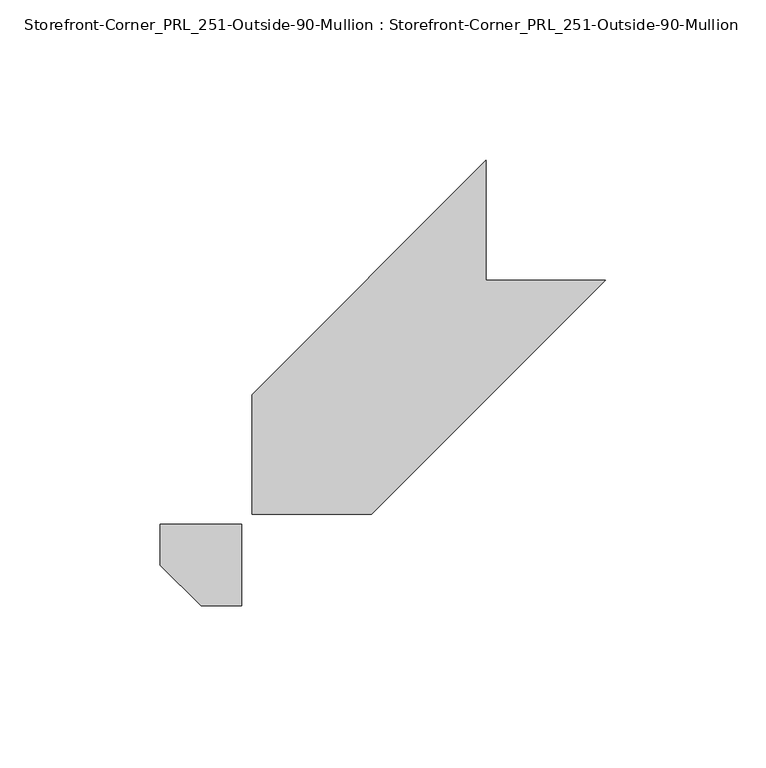
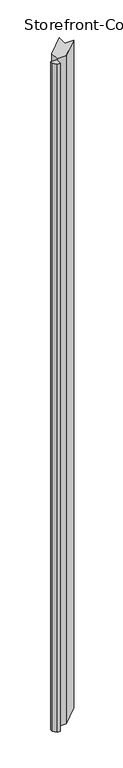
"""IFC4 building model written with IfcOpenShell, lengths in millimetres: proxy geometry, Storefront-Corner_PRL_251-Outside-90-Mullion : Storefront-Corner_PRL_251-Outside-90-Mullion."""

from ifc_helpers import new_model, si_unit, origin, origin_with_axes, place, context, project, spatial, polyline, outline, extrude, source, transform, mapped, element, save


def storefront_corner_prl_251_outside_90_mullion_storefront_f76d7d92(model_context):
    return source(origin(), model_context, "Body", "SweptSolid", [
        extrude(outline(polyline([(0.0, -12.7), (-12.7, 0.0), (-12.7, 12.7), (12.7, 12.7), (12.7, -12.7), (0.0, -12.7)])), origin_with_axes(), (0.0, 0.0, 1.0), 2933.7),
        extrude(outline(polyline([(15.875, 53.18125), (88.9, 126.20625), (88.9, 88.9), (126.20625, 88.9), (53.18125, 15.875), (15.875, 15.875), (15.875, 53.18125)])), origin_with_axes(), (0.0, 0.0, 1.0), 2933.7),
    ])


if __name__ == "__main__":
    model = new_model("IFC4")
    model_context = context("Model", 3, world=origin())
    ifc_project = project(units=[si_unit("LENGTHUNIT", "METRE", prefix="MILLI")], contexts=[model_context])
    site = spatial("IfcSite", under=ifc_project)
    building = spatial("IfcBuilding", under=site)
    placement = place(None, origin())
    storefront_corner_prl_251_outside_90_mullion_storefront_shape = storefront_corner_prl_251_outside_90_mullion_storefront_f76d7d92(model_context)
    element("IfcBuildingElementProxy", 1, Name="Storefront-Corner_PRL_251-Outside-90-Mullion : Storefront-Corner_PRL_251-Outside-90-Mullion", ObjectType="Storefront-Corner_PRL_251-Outside-90-Mullion : Storefront-Corner_PRL_251-Outside-90-Mullion", at=placement, inside=building, context=model_context, shape_type="MappedRepresentation", body=[
        mapped(storefront_corner_prl_251_outside_90_mullion_storefront_shape, transform((0.0, 0.0, 0.0), x_axis=(1.0, 0.0, 0.0), y_axis=(0.0, 1.0, 0.0), z_axis=(0.0, 0.0, 1.0))),
    ])
    save(model, "model.ifc")
